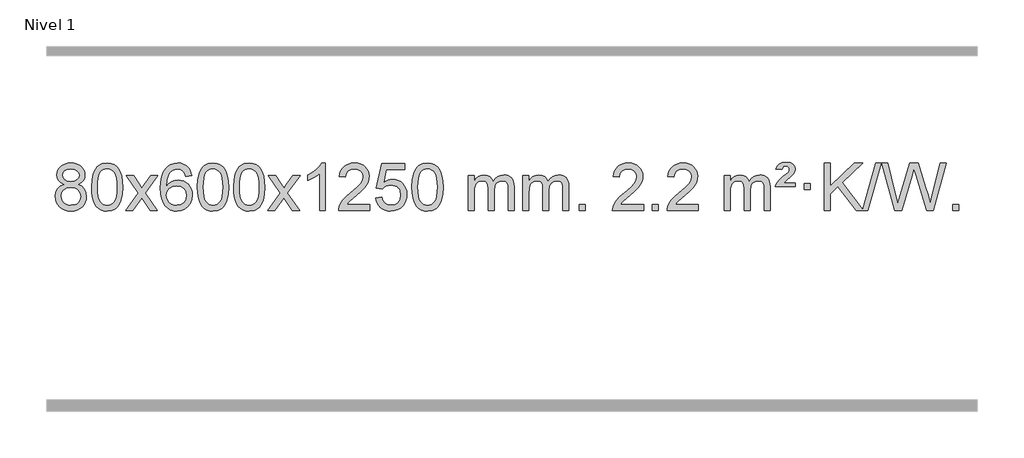
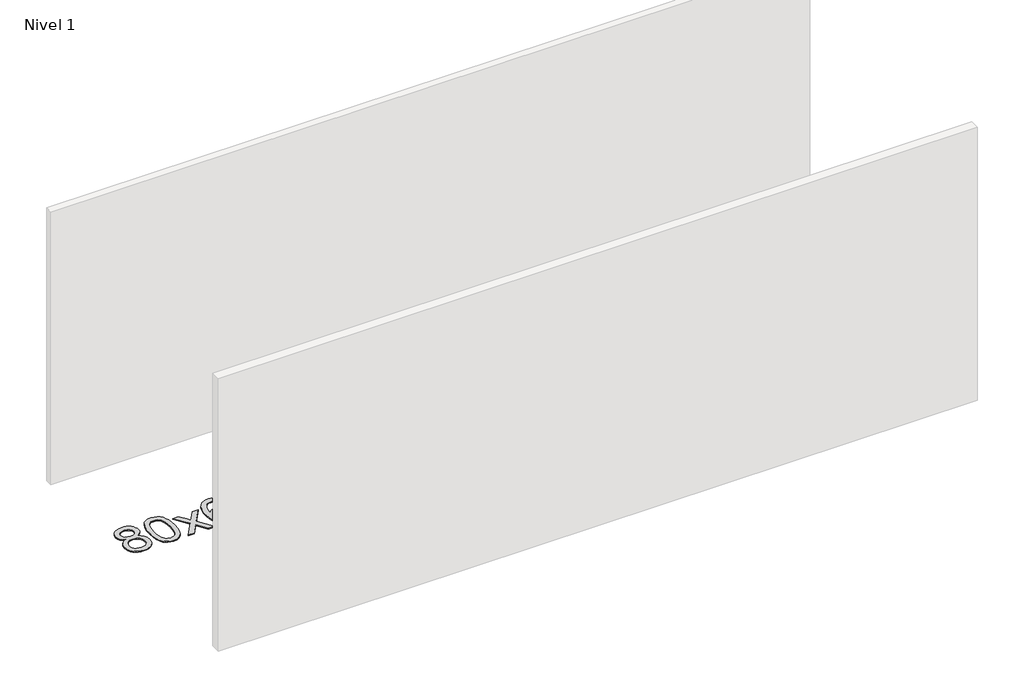
# One storey, part 3 of 3: 1 proxy.
"""IFC4 building model written with IfcOpenShell, lengths in millimetres."""

import ifcopenshell
import ifcopenshell.guid

model = None  # the IFC model being written
_history = None  # IfcOwnerHistory: only IFC2X3 demands one
_inside = {}  # id of a spatial element -> (the spatial element, [elements in it])
_under = {}  # id of a project, library or spatial element -> (it, [spatial elements below it])
_declared = {}  # id of a project -> (the project, [libraries it declares])
_typed = {}  # id of a type object -> (the type object, [elements of that type])
_made_of = {}  # id of a material, layer set ... -> (it, [elements and type objects made of it])


def new_model(schema):
    """Start an empty IFC model of exactly this schema.

    Asked for "IFC4X3", IfcOpenShell would pick the latest addendum, in which some entities
    have other attributes; the version numbers below select the first issue.
    IFC2X3 requires an IfcOwnerHistory on every rooted entity: one is made here for all.
    """
    global model, _history
    if schema == "IFC4X3":
        model = ifcopenshell.file(schema_version=(4, 3, 0, 0))
    else:
        model = ifcopenshell.file(schema=schema)
    _inside.clear()
    _under.clear()
    _declared.clear()
    _typed.clear()
    _made_of.clear()
    _history = None
    if model.schema == "IFC2X3":
        org = make("IfcOrganization", Name="unknown")
        user = make(
            "IfcPersonAndOrganization",
            ThePerson=make("IfcPerson", FamilyName="unknown"),
            TheOrganization=org,
        )
        app = make(
            "IfcApplication",
            ApplicationDeveloper=org,
            Version="unknown",
            ApplicationFullName="unknown",
            ApplicationIdentifier="unknown",
        )
        _history = make(
            "IfcOwnerHistory",
            OwningUser=user,
            OwningApplication=app,
            ChangeAction="ADDED",
            CreationDate=0,
        )
    return model


def make(cls, **values):
    """One entity of the class cls with the attributes given. An attribute that is None is left unset."""
    return model.create_entity(
        cls, **{name: value for name, value in values.items() if value is not None}
    )


def rooted(cls, **values):
    """An entity with a GlobalId (a new one), such as an element, a storey or a relation."""
    return make(cls, GlobalId=ifcopenshell.guid.new(), OwnerHistory=_history, **values)


def si_unit(unit_type, name, prefix=None):
    """IfcSIUnit, for example si_unit("LENGTHUNIT", "METRE", prefix="MILLI")."""
    return make("IfcSIUnit", UnitType=unit_type, Prefix=prefix, Name=name)


def assignment(units):
    """IfcUnitAssignment: the units of a project."""
    return None if units is None else make("IfcUnitAssignment", Units=units)


def point(xyz):
    """IfcCartesianPoint."""
    return None if xyz is None else make("IfcCartesianPoint", Coordinates=xyz)


def direction(xyz):
    """IfcDirection."""
    return None if xyz is None else make("IfcDirection", DirectionRatios=xyz)


def frame(location, z_axis=None, x_axis=None):
    """IfcAxis2Placement3D, a coordinate frame: its origin and axes. An axis left out is left unset."""
    return make(
        "IfcAxis2Placement3D",
        Location=point(location),
        Axis=direction(z_axis),
        RefDirection=direction(x_axis),
    )


def origin():
    """The frame at (0, 0, 0) with its axes left unset."""
    return frame((0.0, 0.0, 0.0))


def origin_with_axes():
    """The frame at (0, 0, 0) with the z axis (0, 0, 1) and the x axis (1, 0, 0) written out."""
    return frame((0.0, 0.0, 0.0), z_axis=(0.0, 0.0, 1.0), x_axis=(1.0, 0.0, 0.0))


def place(relative_to, where):
    """IfcLocalPlacement: puts the frame where relative to a parent placement (None: the world)."""
    return make(
        "IfcLocalPlacement", PlacementRelTo=relative_to, RelativePlacement=where
    )


def context(
    kind, dimensions, precision=None, world=None, true_north=None, identifier=None
):
    """IfcGeometricRepresentationContext, for example the 3D "Model" context."""
    return make(
        "IfcGeometricRepresentationContext",
        ContextIdentifier=identifier,
        ContextType=kind,
        CoordinateSpaceDimension=dimensions,
        Precision=precision,
        WorldCoordinateSystem=world,
        TrueNorth=true_north,
    )


def project(units=None, contexts=None):
    """IfcProject with its units and contexts."""
    return rooted(
        "IfcProject",
        Name="project",
        RepresentationContexts=contexts,
        UnitsInContext=assignment(units),
    )


def spatial(cls, under=None, at=None, **own):
    """A site, building, storey or space (cls), placed at a placement, below another one or the project."""
    s = rooted(cls, ObjectPlacement=at, **own)
    if under is not None:
        _under.setdefault(under.id(), (under, []))[1].append(s)
    return s


def polyline(points):
    """IfcPolyline through the points."""
    return make("IfcPolyline", Points=[point(p) for p in points])


def outline(outer, holes=None, kind="AREA"):
    """IfcArbitraryClosedProfileDef: a profile drawn as a closed curve; with holes, ...WithVoids."""
    if holes is None:
        return make("IfcArbitraryClosedProfileDef", ProfileType=kind, OuterCurve=outer)
    return make(
        "IfcArbitraryProfileDefWithVoids",
        ProfileType=kind,
        OuterCurve=outer,
        InnerCurves=holes,
    )


def extrude(swept, where, along, depth):
    """IfcExtrudedAreaSolid: the profile swept, set in the frame where, extruded along a direction by depth."""
    return make(
        "IfcExtrudedAreaSolid",
        SweptArea=swept,
        Position=where,
        ExtrudedDirection=direction(along),
        Depth=depth,
    )


def shape(context_of_items, identifier, shape_type, items):
    """IfcShapeRepresentation: the items that make up one representation, for example the "Body"."""
    return make(
        "IfcShapeRepresentation",
        ContextOfItems=context_of_items,
        RepresentationIdentifier=identifier,
        RepresentationType=shape_type,
        Items=items,
    )


def made_of(thing, what):
    """Note that an element or type object is made of a material, layer set ...; save() writes the relation."""
    if what is not None:
        _made_of.setdefault(what.id(), (what, []))[1].append(thing)
    return thing


def element(
    cls,
    number,
    at=None,
    inside=None,
    cuts=None,
    type_object=None,
    material=None,
    context=None,
    identifier="Body",
    shape_type=None,
    held_by="IfcProductDefinitionShape",
    body=None,
    shapes=None,
    **own,
):
    """One element of the class cls, such as IfcWall. Its Tag is "e" and its number.

    at: its placement. inside: the storey or other place that contains it. cuts: it is an
    opening in that element (IfcRelVoidsElement). A single representation is given by context,
    identifier, shape_type and body (its items); several are given by shapes. held_by: the class
    of the entity that holds the representations. save() writes the other relations.
    """
    e = rooted(cls, Tag="e%d" % number, ObjectPlacement=at, **own)
    if body is not None:
        shapes = [shape(context, identifier, shape_type, body)]
    if shapes is not None:
        e.Representation = make(held_by, Representations=shapes)
    if inside is not None:
        _inside.setdefault(inside.id(), (inside, []))[1].append(e)
    if cuts is not None:
        rooted(
            "IfcRelVoidsElement", RelatingBuildingElement=cuts, RelatedOpeningElement=e
        )
    if type_object is not None:
        _typed.setdefault(type_object.id(), (type_object, []))[1].append(e)
    return made_of(e, material)


def aggregate(whole, parts):
    """IfcRelAggregates: a whole, such as a stair, and the parts it consists of."""
    return rooted("IfcRelAggregates", RelatingObject=whole, RelatedObjects=parts)


def save(model, path):
    """Write the relations noted so far, then the file.

    IfcRelAggregates (storeys below a building ...), IfcRelContainedInSpatialStructure (elements
    in a storey), IfcRelDefinesByType, IfcRelAssociatesMaterial and IfcRelDeclares: one each for
    every whole, place, type object, material and project.
    """
    for whole, parts in _under.values():
        aggregate(whole, parts)
    for where, things in _inside.values():
        rooted(
            "IfcRelContainedInSpatialStructure",
            RelatedElements=things,
            RelatingStructure=where,
        )
    for kind, things in _typed.values():
        rooted("IfcRelDefinesByType", RelatedObjects=things, RelatingType=kind)
    for what, things in _made_of.values():
        rooted("IfcRelAssociatesMaterial", RelatedObjects=things, RelatingMaterial=what)
    for by, libraries in _declared.values():
        rooted("IfcRelDeclares", RelatingContext=by, RelatedDefinitions=libraries)
    model.write(path)


model = new_model("IFC4")

# Units and contexts
model_context = context("Model", 3, world=origin())
ifc_project = project(units=[si_unit("LENGTHUNIT", "METRE", prefix="MILLI")], contexts=[model_context])

# Site, building, storey
site = spatial("IfcSite", under=ifc_project)
building = spatial("IfcBuilding", under=site)
storey = spatial("IfcBuildingStorey", under=building, Name="Nivel 1", Elevation=0.0)

# Proxy
placement = place(None, origin())
element("IfcBuildingElementProxy", 1, Name="Texto de modelo 1", ObjectType="Texto de modelo 1", at=placement, inside=storey, context=model_context, shape_type="SweptSolid", body=[
    extrude(outline(polyline([(-6382.9857189, 2829.7383553), (-6409.8778927, 2842.9821071), (-6428.7502391, 2860.9347485), (-6439.8970635, 2883.2283974), (-6443.6126717, 2909.4951719), (-6441.5893207, 2929.9800676), (-6435.5192678, 2948.7604435), (-6425.4025129, 2965.8362994), (-6411.2390561, 2981.2076355), (-6393.709479, 2993.911827), (-6373.4943634, 3002.9862496), (-6350.5937092, 3008.4309031), (-6325.0075164, 3010.2457876), (-6299.2986964, 3008.3879835), (-6276.2263639, 3002.8145713), (-6255.7905191, 2993.5255509), (-6237.9911619, 2980.5209224), (-6223.5701876, 2964.8491494), (-6213.2694918, 2947.5586956), (-6207.0890743, 2928.6495611), (-6205.0289351, 2908.1217457), (-6208.6954923, 2882.7010999), (-6219.695164, 2860.7875957), (-6238.1505774, 2842.9453189), (-6264.1843599, 2829.7383553), (-6233.2700096, 2813.8090649), (-6210.7678942, 2790.3504564), (-6197.0458958, 2760.4907011), (-6192.4718963, 2725.3579705), (-6194.740502, 2700.3052067), (-6201.5463189, 2677.3371074), (-6212.8893471, 2656.4536728), (-6228.7695865, 2637.6549029), (-6248.3531714, 2622.11802), (-6270.8062358, 2611.0202464), (-6296.1287798, 2604.3615823), (-6324.3208034, 2602.1420276), (-6352.512827, 2604.3707794), (-6377.835371, 2611.0570346), (-6400.2884354, 2622.2007934), (-6419.8720203, 2637.8020557), (-6435.7522597, 2656.73265), (-6447.0952879, 2677.864405), (-6453.9011048, 2701.1973205), (-6456.1697105, 2726.7313967), (-6451.41177, 2763.2252906), (-6437.1379486, 2793.2444614), (-6414.0840102, 2815.7588395), (-6382.9857189, 2829.7383553)]), holes=[polyline([(-6393.3845166, 2908.0236439), (-6388.9331445, 2886.097877), (-6375.5790281, 2868.586694), (-6353.7145748, 2857.1087757), (-6323.7321922, 2853.282803), (-6294.4487854, 2857.0842503), (-6272.9154259, 2868.4885921), (-6259.6716741, 2885.4111639), (-6255.2570902, 2905.767301), (-6259.8188269, 2926.8959902), (-6273.5040371, 2944.370385), (-6295.3317022, 2956.1058206), (-6324.3208034, 2960.0176325), (-6353.4938456, 2956.1916598), (-6375.2847225, 2944.7137415), (-6388.8595681, 2927.8892716), (-6393.3845166, 2908.0236439)]), polyline([(-6405.9415554, 2728.4972302), (-6403.844628, 2709.2815274), (-6397.5538459, 2690.6789611), (-6385.9410376, 2674.4553651), (-6367.8780316, 2662.376573), (-6346.2465703, 2654.8717803), (-6323.9283959, 2652.3701827), (-6289.7398958, 2657.6308952), (-6275.8462192, 2664.2067859), (-6264.086258, 2673.4130328), (-6248.0466031, 2697.3130998), (-6242.7000514, 2726.9276004), (-6248.2182813, 2757.0448731), (-6264.7729711, 2781.4722375), (-6276.8517633, 2790.9145421), (-6291.0152201, 2797.6590453), (-6325.5961276, 2803.0546479), (-6359.3063811, 2797.7326217), (-6373.043708, 2791.080089), (-6384.7025015, 2781.7665431), (-6400.6317919, 2757.8051625), (-6405.9415554, 2728.4972302)])]), origin_with_axes(), (0.0, 0.0, 1.0), 10.0),
    extrude(outline(polyline([(-6148.5222606, 2806.0958057), (-6144.8311779, 2870.4138412), (-6133.7579299, 2921.7088541), (-6115.4128811, 2960.7656593), (-6103.5548181, 2975.9990395), (-6089.9063961, 2988.3690716), (-6074.4216298, 2997.9401349), (-6057.0545339, 3004.7766086), (-6016.6733536, 3010.2457876), (-5985.722215, 3007.008426), (-5958.0084381, 2997.2963414), (-5934.8318724, 2981.4896783), (-5917.4923677, 2959.9685816), (-5904.3957686, 2932.9169922), (-5893.94792, 2900.5188512), (-5887.1053149, 2859.3773814), (-5884.8244465, 2806.0958057), (-5888.478741, 2742.1456523), (-5899.4416244, 2690.9732667), (-5917.6763087, 2651.8796734), (-5929.5067805, 2636.6003078), (-5943.1460055, 2624.1658964), (-5958.6491659, 2614.5304538), (-5976.071444, 2607.6479948), (-6016.6733536, 2602.1420276), (-6044.3380796, 2604.5332606), (-6068.8635459, 2611.7069595), (-6090.2497526, 2623.6631243), (-6108.4966996, 2640.4017551), (-6126.0078825, 2670.6600492), (-6138.5158704, 2708.3618224), (-6146.0206631, 2753.5070745), (-6148.5222606, 2806.0958057)]), holes=[polyline([(-6098.2941056, 2806.1939076), (-6096.8225776, 2762.5293805), (-6092.4079936, 2727.1851178), (-6085.0503537, 2700.1611196), (-6074.7496579, 2681.4573858), (-6062.290721, 2668.7317344), (-6048.4583579, 2659.6419835), (-6033.2525688, 2654.1881329), (-6016.6733536, 2652.3701827), (-6000.0941383, 2654.1942643), (-5984.8883492, 2659.6665089), (-5971.0559862, 2668.7869167), (-5958.5970493, 2681.5554876), (-5948.2963534, 2700.2898783), (-5940.9387135, 2727.3077451), (-5936.5241295, 2762.6090882), (-5935.0526016, 2806.1939076), (-5936.4750786, 2848.7026722), (-5940.7425098, 2883.4246011), (-5947.854895, 2910.3596945), (-5957.8122343, 2929.5079524), (-5970.0627048, 2942.8559375), (-5984.0544833, 2952.3902125), (-5999.78757, 2958.1107775), (-6017.2619648, 2960.0176325), (-6033.7553409, 2958.3376381), (-6048.7036126, 2953.2976548), (-6062.10678, 2944.8976825), (-6073.9648429, 2933.1377214), (-6084.6088953, 2912.291075), (-6092.2117899, 2884.1848906), (-6096.7735266, 2848.8191681), (-6098.2941056, 2806.1939076)])]), origin_with_axes(), (0.0, 0.0, 1.0), 10.0),
    extrude(outline(polyline([(-5859.7103689, 2608.420547), (-5752.3869282, 2756.7505675), (-5853.4318496, 2903.5109581), (-5793.0011005, 2903.5109581), (-5744.2444734, 2832.877615), (-5721.4848406, 2799.5229808), (-5701.7663657, 2826.7952993), (-5646.2407099, 2903.5109581), (-5585.8099608, 2903.5109581), (-5691.9561791, 2756.7505675), (-5589.7340354, 2608.420547), (-5650.1647845, 2608.420547), (-5711.6746541, 2697.5951426), (-5722.9563686, 2713.8800523), (-5799.2796199, 2608.420547), (-5859.7103689, 2608.420547)])), origin_with_axes(), (0.0, 0.0, 1.0), 10.0),
    extrude(outline(polyline([(-5300.9221437, 2903.5109581), (-5351.1502988, 2897.2324387), (-5359.2437027, 2922.125787), (-5370.1820607, 2939.1219352), (-5392.9662189, 2954.7937082), (-5420.5083176, 2960.0176325), (-5443.8565616, 2956.9764747), (-5465.8313794, 2947.8530012), (-5484.7037258, 2928.6372983), (-5500.1179814, 2902.1865829), (-5510.5290419, 2864.772984), (-5514.3918028, 2812.6686307), (-5494.2441322, 2836.1762902), (-5470.0988106, 2852.7432427), (-5443.3047386, 2862.565692), (-5415.2108169, 2865.8398418), (-5391.077758, 2863.601893), (-5368.8086346, 2856.8880466), (-5348.4034466, 2845.6983025), (-5329.862194, 2830.0326609), (-5314.4540698, 2810.8230894), (-5303.4482668, 2789.0015557), (-5296.844785, 2764.5680599), (-5294.6436244, 2737.5226018), (-5298.7884282, 2701.5560055), (-5311.2228396, 2668.213634), (-5330.9167891, 2639.9357713), (-5356.840207, 2619.1627013), (-5387.815871, 2606.397196), (-5422.6665587, 2602.1420276), (-5452.6090874, 2604.9624563), (-5479.6514797, 2613.4237421), (-5503.7937357, 2627.5258853), (-5525.0358552, 2647.2688857), (-5542.3539001, 2673.4866092), (-5554.7239322, 2707.0129217), (-5562.1459515, 2747.8478232), (-5564.6199579, 2795.9913136), (-5561.8731057, 2849.9657337), (-5553.632549, 2896.0306908), (-5539.8982878, 2934.1861851), (-5520.6703222, 2964.4322165), (-5499.8298072, 2984.4756538), (-5475.6660915, 2998.7923948), (-5448.179175, 3007.3824394), (-5417.3690579, 3010.2457876), (-5394.2354118, 3008.4738227), (-5373.2967949, 3003.1579278), (-5354.5532073, 2994.2981031), (-5338.0046489, 2981.8943485), (-5324.0987094, 2966.3635969), (-5313.2829788, 2948.1227814), (-5305.5574569, 2927.1719017), (-5300.9221437, 2903.5109581)]), holes=[polyline([(-5514.3918028, 2738.3074168), (-5511.485535, 2716.0505561), (-5502.7667318, 2694.7992395), (-5489.2286743, 2676.527767), (-5471.8646442, 2663.2104388), (-5450.9076332, 2655.0802467), (-5426.5906333, 2652.3701827), (-5393.4444655, 2657.9865145), (-5379.5293291, 2665.0069292), (-5367.3861575, 2674.8355099), (-5357.5361171, 2687.0737176), (-5350.500374, 2701.3230135), (-5344.8717794, 2735.8548701), (-5350.4267976, 2769.0010379), (-5357.3705702, 2782.6218688), (-5367.0918519, 2794.274531), (-5379.2718117, 2803.6095366), (-5393.5916183, 2810.2773978), (-5428.6507725, 2815.6116867), (-5461.7478893, 2810.2773978), (-5489.4248781, 2794.274531), (-5500.3479076, 2782.7751529), (-5508.1500716, 2769.6141746), (-5512.83137, 2754.7915958), (-5514.3918028, 2738.3074168)])]), origin_with_axes(), (0.0, 0.0, 1.0), 10.0),
    extrude(outline(polyline([(-5250.6939887, 2806.0958057), (-5247.002906, 2870.4138412), (-5235.9296579, 2921.7088541), (-5217.5846091, 2960.7656593), (-5205.7265461, 2975.9990395), (-5192.0781241, 2988.3690716), (-5176.5933578, 2997.9401349), (-5159.2262619, 3004.7766086), (-5118.8450816, 3010.2457876), (-5087.8939431, 3007.008426), (-5060.1801661, 2997.2963414), (-5037.0036004, 2981.4896783), (-5019.6640957, 2959.9685816), (-5006.5674967, 2932.9169922), (-4996.119648, 2900.5188512), (-4989.2770429, 2859.3773814), (-4986.9961745, 2806.0958057), (-4990.650469, 2742.1456523), (-5001.6133525, 2690.9732667), (-5019.8480367, 2651.8796734), (-5031.6785085, 2636.6003078), (-5045.3177335, 2624.1658964), (-5060.8208939, 2614.5304538), (-5078.2431721, 2607.6479948), (-5118.8450816, 2602.1420276), (-5146.5098076, 2604.5332606), (-5171.035274, 2611.7069595), (-5192.4214806, 2623.6631243), (-5210.6684276, 2640.4017551), (-5228.1796106, 2670.6600492), (-5240.6875984, 2708.3618224), (-5248.1923911, 2753.5070745), (-5250.6939887, 2806.0958057)]), holes=[polyline([(-5200.4658336, 2806.1939076), (-5198.9943056, 2762.5293805), (-5194.5797217, 2727.1851178), (-5187.2220818, 2700.1611196), (-5176.9213859, 2681.4573858), (-5164.462449, 2668.7317344), (-5150.630086, 2659.6419835), (-5135.4242968, 2654.1881329), (-5118.8450816, 2652.3701827), (-5102.2658663, 2654.1942643), (-5087.0600772, 2659.6665089), (-5073.2277142, 2668.7869167), (-5060.7687773, 2681.5554876), (-5050.4680814, 2700.2898783), (-5043.1104415, 2727.3077451), (-5038.6958576, 2762.6090882), (-5037.2243296, 2806.1939076), (-5038.6468066, 2848.7026722), (-5042.9142378, 2883.4246011), (-5050.026623, 2910.3596945), (-5059.9839624, 2929.5079524), (-5072.2344328, 2942.8559375), (-5086.2262114, 2952.3902125), (-5101.959298, 2958.1107775), (-5119.4336928, 2960.0176325), (-5135.9270689, 2958.3376381), (-5150.8753406, 2953.2976548), (-5164.278508, 2944.8976825), (-5176.136571, 2933.1377214), (-5186.7806234, 2912.291075), (-5194.3835179, 2884.1848906), (-5198.9452547, 2848.8191681), (-5200.4658336, 2806.1939076)])]), origin_with_axes(), (0.0, 0.0, 1.0), 10.0),
    extrude(outline(polyline([(-4943.0465388, 2806.0958057), (-4939.3554561, 2870.4138412), (-4928.2822081, 2921.7088541), (-4909.9371593, 2960.7656593), (-4898.0790963, 2975.9990395), (-4884.4306743, 2988.3690716), (-4868.945908, 2997.9401349), (-4851.5788121, 3004.7766086), (-4811.1976318, 3010.2457876), (-4780.2464932, 3007.008426), (-4752.5327163, 2997.2963414), (-4729.3561506, 2981.4896783), (-4712.0166459, 2959.9685816), (-4698.9200468, 2932.9169922), (-4688.4721982, 2900.5188512), (-4681.6295931, 2859.3773814), (-4679.3487247, 2806.0958057), (-4683.0030192, 2742.1456523), (-4693.9659026, 2690.9732667), (-4712.2005869, 2651.8796734), (-4724.0310587, 2636.6003078), (-4737.6702837, 2624.1658964), (-4753.1734441, 2614.5304538), (-4770.5957222, 2607.6479948), (-4811.1976318, 2602.1420276), (-4838.8623578, 2604.5332606), (-4863.3878241, 2611.7069595), (-4884.7740308, 2623.6631243), (-4903.0209778, 2640.4017551), (-4920.5321607, 2670.6600492), (-4933.0401486, 2708.3618224), (-4940.5449413, 2753.5070745), (-4943.0465388, 2806.0958057)]), holes=[polyline([(-4892.8183838, 2806.1939076), (-4891.3468558, 2762.5293805), (-4886.9322718, 2727.1851178), (-4879.5746319, 2700.1611196), (-4869.2739361, 2681.4573858), (-4856.8149992, 2668.7317344), (-4842.9826361, 2659.6419835), (-4827.776847, 2654.1881329), (-4811.1976318, 2652.3701827), (-4794.6184165, 2654.1942643), (-4779.4126274, 2659.6665089), (-4765.5802644, 2668.7869167), (-4753.1213275, 2681.5554876), (-4742.8206316, 2700.2898783), (-4735.4629917, 2727.3077451), (-4731.0484077, 2762.6090882), (-4729.5768798, 2806.1939076), (-4730.9993568, 2848.7026722), (-4735.266788, 2883.4246011), (-4742.3791732, 2910.3596945), (-4752.3365125, 2929.5079524), (-4764.586983, 2942.8559375), (-4778.5787615, 2952.3902125), (-4794.3118482, 2958.1107775), (-4811.786243, 2960.0176325), (-4828.2796191, 2958.3376381), (-4843.2278908, 2953.2976548), (-4856.6310582, 2944.8976825), (-4868.4891211, 2933.1377214), (-4879.1331735, 2912.291075), (-4886.7360681, 2884.1848906), (-4891.2978048, 2848.8191681), (-4892.8183838, 2806.1939076)])]), origin_with_axes(), (0.0, 0.0, 1.0), 10.0),
    extrude(outline(polyline([(-4654.2346472, 2608.420547), (-4546.9112064, 2756.7505675), (-4647.9561278, 2903.5109581), (-4587.5253787, 2903.5109581), (-4538.7687516, 2832.877615), (-4516.0091188, 2799.5229808), (-4496.2906439, 2826.7952993), (-4440.7649881, 2903.5109581), (-4380.334239, 2903.5109581), (-4486.4804574, 2756.7505675), (-4384.2583136, 2608.420547), (-4444.6890627, 2608.420547), (-4506.1989323, 2697.5951426), (-4517.4806468, 2713.8800523), (-4593.8038981, 2608.420547), (-4654.2346472, 2608.420547)])), origin_with_axes(), (0.0, 0.0, 1.0), 10.0),
    extrude(outline(polyline([(-4164.5101352, 2608.420547), (-4214.7382902, 2608.420547), (-4214.7382902, 2921.5617013), (-4235.707564, 2904.6023413), (-4262.317695, 2887.6675068), (-4315.1946004, 2862.3081746), (-4315.1946004, 2909.7894775), (-4275.7453878, 2931.2492605), (-4241.5691504, 2956.780271), (-4214.6279257, 2983.9299622), (-4196.8837508, 3010.2457876), (-4164.5101352, 3010.2457876), (-4164.5101352, 2608.420547)])), origin_with_axes(), (0.0, 0.0, 1.0), 10.0),
    extrude(outline(polyline([(-3787.7989721, 2658.6487021), (-3787.7989721, 2608.420547), (-4051.4967863, 2608.420547), (-4050.3931403, 2626.1034082), (-4046.1011837, 2643.0505055), (-4033.7158232, 2670.1143576), (-4015.5915035, 2696.3688693), (-3989.37378, 2723.8496544), (-3952.7082078, 2754.5923264), (-3898.5069272, 2802.7358169), (-3865.9861588, 2838.2732176), (-3849.7257746, 2867.115166), (-3844.3056466, 2895.1722995), (-3849.4192063, 2920.3231653), (-3864.7598855, 2941.2311253), (-3888.3411214, 2955.3210057), (-3918.1763512, 2960.0176325), (-3949.5076345, 2955.4313703), (-3973.8491598, 2941.6725837), (-3989.557721, 2919.8203932), (-3994.9901118, 2890.9539193), (-4045.2182669, 2897.2324387), (-4040.8987191, 2923.161988), (-4033.0413728, 2945.8173875), (-4021.646228, 2965.1986373), (-4006.7132847, 2981.3057373), (-3988.5858994, 2993.9670093), (-3967.6074286, 3003.010775), (-3943.7778724, 3008.4370345), (-3917.0972307, 3010.2457876), (-3890.1774657, 3008.2346994), (-3866.2191508, 3002.2014346), (-3845.2222859, 2992.1459934), (-3827.1868711, 2978.0683758), (-3812.7015175, 2961.0109139), (-3802.3548364, 2942.0159402), (-3796.1468277, 2921.0834547), (-3794.0774915, 2898.2134573), (-3796.3093089, 2874.1907631), (-3803.0047612, 2850.5850017), (-3814.8873497, 2826.5745701), (-3832.6805755, 2801.3378653), (-3861.0442774, 2771.2083299), (-3904.6382938, 2732.5194067), (-3962.4202925, 2684.204238), (-3985.0818234, 2658.6487021), (-3787.7989721, 2658.6487021)])), origin_with_axes(), (0.0, 0.0, 1.0), 10.0),
    extrude(outline(polyline([(-3737.570817, 2715.1553765), (-3687.342662, 2721.4338959), (-3678.1210866, 2691.2798351), (-3662.0323807, 2669.6851619), (-3639.1501206, 2656.6989275), (-3609.5478827, 2652.3701827), (-3590.418019, 2653.8754332), (-3573.5444981, 2658.3911847), (-3558.9273202, 2665.9174372), (-3546.5664851, 2676.4541906), (-3536.7379045, 2689.480279), (-3529.7174898, 2704.4745359), (-3524.101158, 2740.3675559), (-3529.3618705, 2774.1636486), (-3535.9377612, 2788.0818507), (-3545.1440081, 2800.0134901), (-3557.0112681, 2809.5845533), (-3571.5701981, 2816.4210271), (-3608.7630678, 2821.8902061), (-3633.1291186, 2819.7074396), (-3652.8598563, 2813.1591401), (-3668.6174684, 2803.1282243), (-3681.0641426, 2790.4976092), (-3731.2922977, 2796.7761285), (-3687.342662, 3003.9672682), (-3492.708561, 3003.9672682), (-3492.708561, 2953.7391131), (-3646.7284897, 2953.7391131), (-3668.2127982, 2843.080209), (-3650.4870174, 2855.7844006), (-3632.332041, 2864.8588231), (-3613.7478688, 2870.3034766), (-3594.734501, 2872.1183612), (-3570.273414, 2869.8681496), (-3547.8050212, 2863.117515), (-3527.3293225, 2851.8664573), (-3508.8463179, 2836.1149766), (-3493.5454926, 2816.8256973), (-3482.6163316, 2794.961244), (-3476.0588351, 2770.5216168), (-3473.8730029, 2743.5068156), (-3475.8411716, 2717.4852958), (-3481.7456776, 2693.2786606), (-3491.586521, 2670.8869098), (-3505.3637017, 2650.3100435), (-3526.2348735, 2629.2365366), (-3550.5886616, 2614.1840316), (-3578.4250659, 2605.1525286), (-3609.7440864, 2602.1420276), (-3635.6644387, 2604.0764738), (-3659.077062, 2609.8798123), (-3679.9819564, 2619.552043), (-3698.3791218, 2633.0931662), (-3713.6860785, 2649.8287312), (-3725.3203466, 2669.084288), (-3733.2819261, 2690.8598364), (-3737.570817, 2715.1553765)])), origin_with_axes(), (0.0, 0.0, 1.0), 10.0),
    extrude(outline(polyline([(-3429.9233672, 2806.0958057), (-3426.2322845, 2870.4138412), (-3415.1590365, 2921.7088541), (-3396.8139876, 2960.7656593), (-3384.9559247, 2975.9990395), (-3371.3075026, 2988.3690716), (-3355.8227363, 2997.9401349), (-3338.4556405, 3004.7766086), (-3298.0744601, 3010.2457876), (-3267.1233216, 3007.008426), (-3239.4095446, 2997.2963414), (-3216.2329789, 2981.4896783), (-3198.8934742, 2959.9685816), (-3185.7968752, 2932.9169922), (-3175.3490265, 2900.5188512), (-3168.5064214, 2859.3773814), (-3166.2255531, 2806.0958057), (-3169.8798475, 2742.1456523), (-3180.842731, 2690.9732667), (-3199.0774152, 2651.8796734), (-3210.9078871, 2636.6003078), (-3224.547112, 2624.1658964), (-3240.0502724, 2614.5304538), (-3257.4725506, 2607.6479948), (-3298.0744601, 2602.1420276), (-3325.7391862, 2604.5332606), (-3350.2646525, 2611.7069595), (-3371.6508592, 2623.6631243), (-3389.8978061, 2640.4017551), (-3407.4089891, 2670.6600492), (-3419.9169769, 2708.3618224), (-3427.4217696, 2753.5070745), (-3429.9233672, 2806.0958057)]), holes=[polyline([(-3379.6952121, 2806.1939076), (-3378.2236842, 2762.5293805), (-3373.8091002, 2727.1851178), (-3366.4514603, 2700.1611196), (-3356.1507644, 2681.4573858), (-3343.6918275, 2668.7317344), (-3329.8594645, 2659.6419835), (-3314.6536754, 2654.1881329), (-3298.0744601, 2652.3701827), (-3281.4952449, 2654.1942643), (-3266.2894558, 2659.6665089), (-3252.4570927, 2668.7869167), (-3239.9981558, 2681.5554876), (-3229.69746, 2700.2898783), (-3222.3398201, 2727.3077451), (-3217.9252361, 2762.6090882), (-3216.4537081, 2806.1939076), (-3217.8761852, 2848.7026722), (-3222.1436163, 2883.4246011), (-3229.2560016, 2910.3596945), (-3239.2133409, 2929.5079524), (-3251.4638113, 2942.8559375), (-3265.4555899, 2952.3902125), (-3281.1886766, 2958.1107775), (-3298.6630713, 2960.0176325), (-3315.1564474, 2958.3376381), (-3330.1047192, 2953.2976548), (-3343.5078865, 2944.8976825), (-3355.3659495, 2933.1377214), (-3366.0100019, 2912.291075), (-3373.6128965, 2884.1848906), (-3378.1746332, 2848.8191681), (-3379.6952121, 2806.1939076)])]), origin_with_axes(), (0.0, 0.0, 1.0), 10.0),
    extrude(outline(polyline([(-2952.755894, 2608.420547), (-2952.755894, 2903.5109581), (-2902.5277389, 2903.5109581), (-2902.5277389, 2854.9505347), (-2887.4200517, 2877.2564463), (-2867.9958823, 2894.7308411), (-2844.9174185, 2906.0248184), (-2818.8468478, 2909.7894775), (-2790.9123416, 2905.951242), (-2768.5205908, 2894.4365355), (-2751.7942228, 2876.0056476), (-2740.8558648, 2851.4188676), (-2722.5476041, 2876.9560094), (-2701.6641696, 2895.196825), (-2678.205561, 2906.1413143), (-2652.1717785, 2909.7894775), (-2632.0639617, 2908.2719642), (-2614.414823, 2903.7194245), (-2599.2243623, 2896.1318584), (-2586.4925796, 2885.5092658), (-2576.4279413, 2871.7290194), (-2569.238914, 2854.6684918), (-2564.9254976, 2834.3276832), (-2563.4876922, 2810.7065934), (-2563.4876922, 2608.420547), (-2613.7158472, 2608.420547), (-2613.7158472, 2789.124183), (-2614.8808069, 2814.1769469), (-2618.3756858, 2831.0627305), (-2624.9239854, 2842.6264879), (-2635.2492067, 2851.7131732), (-2648.5297467, 2857.5992851), (-2663.9440023, 2859.5613224), (-2691.1550072, 2854.5336018), (-2713.3382915, 2839.45044), (-2721.9436645, 2827.8805512), (-2728.0903595, 2813.2817674), (-2733.0077155, 2774.9975144), (-2733.0077155, 2608.420547), (-2783.2358706, 2608.420547), (-2783.2358706, 2794.7159894), (-2786.1421384, 2823.1164794), (-2794.8609417, 2843.3745146), (-2810.2016209, 2855.5146204), (-2832.9735164, 2859.5613224), (-2852.3241093, 2856.8635211), (-2870.1541233, 2848.7701172), (-2884.8694032, 2835.4773144), (-2894.8757934, 2817.1813165), (-2900.6147525, 2791.7974589), (-2902.5277389, 2757.2410768), (-2902.5277389, 2608.420547), (-2952.755894, 2608.420547)])), origin_with_axes(), (0.0, 0.0, 1.0), 10.0),
    extrude(outline(polyline([(-2488.1454596, 2608.420547), (-2488.1454596, 2903.5109581), (-2437.9173045, 2903.5109581), (-2437.9173045, 2854.9505347), (-2422.8096172, 2877.2564463), (-2403.3854479, 2894.7308411), (-2380.306984, 2906.0248184), (-2354.2364133, 2909.7894775), (-2326.3019071, 2905.951242), (-2303.9101564, 2894.4365355), (-2287.1837883, 2876.0056476), (-2276.2454303, 2851.4188676), (-2257.9371697, 2876.9560094), (-2237.0537351, 2895.196825), (-2213.5951266, 2906.1413143), (-2187.561344, 2909.7894775), (-2167.4535273, 2908.2719642), (-2149.8043886, 2903.7194245), (-2134.6139279, 2896.1318584), (-2121.8821452, 2885.5092658), (-2111.8175069, 2871.7290194), (-2104.6284796, 2854.6684918), (-2100.3150632, 2834.3276832), (-2098.8772577, 2810.7065934), (-2098.8772577, 2608.420547), (-2149.1054128, 2608.420547), (-2149.1054128, 2789.124183), (-2150.2703724, 2814.1769469), (-2153.7652514, 2831.0627305), (-2160.3135509, 2842.6264879), (-2170.6387722, 2851.7131732), (-2183.9193123, 2857.5992851), (-2199.3335679, 2859.5613224), (-2226.5445728, 2854.5336018), (-2248.7278571, 2839.45044), (-2257.3332301, 2827.8805512), (-2263.4799251, 2813.2817674), (-2268.3972811, 2774.9975144), (-2268.3972811, 2608.420547), (-2318.6254362, 2608.420547), (-2318.6254362, 2794.7159894), (-2321.5317039, 2823.1164794), (-2330.2505072, 2843.3745146), (-2345.5911864, 2855.5146204), (-2368.3630819, 2859.5613224), (-2387.7136749, 2856.8635211), (-2405.5436889, 2848.7701172), (-2420.2589687, 2835.4773144), (-2430.265359, 2817.1813165), (-2436.0043181, 2791.7974589), (-2437.9173045, 2757.2410768), (-2437.9173045, 2608.420547), (-2488.1454596, 2608.420547)])), origin_with_axes(), (0.0, 0.0, 1.0), 10.0),
    extrude(outline(polyline([(-2010.9779863, 2608.420547), (-2010.9779863, 2658.6487021), (-1960.7498313, 2658.6487021), (-1960.7498313, 2608.420547), (-2010.9779863, 2608.420547)])), origin_with_axes(), (0.0, 0.0, 1.0), 10.0),
    extrude(outline(polyline([(-1464.7467999, 2658.6487021), (-1464.7467999, 2608.420547), (-1728.444614, 2608.420547), (-1727.3409681, 2626.1034082), (-1723.0490115, 2643.0505055), (-1710.6636509, 2670.1143576), (-1692.5393313, 2696.3688693), (-1666.3216078, 2723.8496544), (-1629.6560356, 2754.5923264), (-1575.454755, 2802.7358169), (-1542.9339866, 2838.2732176), (-1526.6736024, 2867.115166), (-1521.2534744, 2895.1722995), (-1526.3670341, 2920.3231653), (-1541.7077133, 2941.2311253), (-1565.2889492, 2955.3210057), (-1595.124179, 2960.0176325), (-1626.4554623, 2955.4313703), (-1650.7969876, 2941.6725837), (-1666.5055488, 2919.8203932), (-1671.9379396, 2890.9539193), (-1722.1660947, 2897.2324387), (-1717.8465469, 2923.161988), (-1709.9892006, 2945.8173875), (-1698.5940558, 2965.1986373), (-1683.6611125, 2981.3057373), (-1665.5337272, 2993.9670093), (-1644.5552564, 3003.010775), (-1620.7257002, 3008.4370345), (-1594.0450585, 3010.2457876), (-1567.1252935, 3008.2346994), (-1543.1669785, 3002.2014346), (-1522.1701137, 2992.1459934), (-1504.1346989, 2978.0683758), (-1489.6493453, 2961.0109139), (-1479.3026642, 2942.0159402), (-1473.0946555, 2921.0834547), (-1471.0253193, 2898.2134573), (-1473.2571367, 2874.1907631), (-1479.952589, 2850.5850017), (-1491.8351775, 2826.5745701), (-1509.6284033, 2801.3378653), (-1537.9921051, 2771.2083299), (-1581.5861216, 2732.5194067), (-1639.3681203, 2684.204238), (-1662.0296512, 2658.6487021), (-1464.7467999, 2658.6487021)])), origin_with_axes(), (0.0, 0.0, 1.0), 10.0),
    extrude(outline(polyline([(-1389.4045673, 2608.420547), (-1389.4045673, 2658.6487021), (-1339.1764122, 2658.6487021), (-1339.1764122, 2608.420547), (-1389.4045673, 2608.420547)])), origin_with_axes(), (0.0, 0.0, 1.0), 10.0),
    extrude(outline(polyline([(-1000.1363655, 2658.6487021), (-1000.1363655, 2608.420547), (-1263.8341796, 2608.420547), (-1262.7305336, 2626.1034082), (-1258.438577, 2643.0505055), (-1246.0532165, 2670.1143576), (-1227.9288969, 2696.3688693), (-1201.7111734, 2723.8496544), (-1165.0456012, 2754.5923264), (-1110.8443205, 2802.7358169), (-1078.3235522, 2838.2732176), (-1062.063168, 2867.115166), (-1056.6430399, 2895.1722995), (-1061.7565997, 2920.3231653), (-1077.0972789, 2941.2311253), (-1100.6785147, 2955.3210057), (-1130.5137446, 2960.0176325), (-1161.8450278, 2955.4313703), (-1186.1865532, 2941.6725837), (-1201.8951144, 2919.8203932), (-1207.3275051, 2890.9539193), (-1257.5556602, 2897.2324387), (-1253.2361125, 2923.161988), (-1245.3787662, 2945.8173875), (-1233.9836214, 2965.1986373), (-1219.0506781, 2981.3057373), (-1200.9232927, 2993.9670093), (-1179.944822, 3003.010775), (-1156.1152657, 3008.4370345), (-1129.434624, 3010.2457876), (-1102.514859, 3008.2346994), (-1078.5565441, 3002.2014346), (-1057.5596792, 2992.1459934), (-1039.5242644, 2978.0683758), (-1025.0389109, 2961.0109139), (-1014.6922297, 2942.0159402), (-1008.4842211, 2921.0834547), (-1006.4148848, 2898.2134573), (-1008.6467023, 2874.1907631), (-1015.3421546, 2850.5850017), (-1027.224743, 2826.5745701), (-1045.0179689, 2801.3378653), (-1073.3816707, 2771.2083299), (-1116.9756871, 2732.5194067), (-1174.7576858, 2684.204238), (-1197.4192167, 2658.6487021), (-1000.1363655, 2658.6487021)])), origin_with_axes(), (0.0, 0.0, 1.0), 10.0),
    extrude(outline(polyline([(-780.388187, 2608.420547), (-780.388187, 2903.5109581), (-730.1600319, 2903.5109581), (-730.1600319, 2854.9505347), (-715.0523447, 2877.2564463), (-695.6281753, 2894.7308411), (-672.5497115, 2906.0248184), (-646.4791408, 2909.7894775), (-618.5446346, 2905.951242), (-596.1528838, 2894.4365355), (-579.4265158, 2876.0056476), (-568.4881578, 2851.4188676), (-550.1798972, 2876.9560094), (-529.2964626, 2895.196825), (-505.837854, 2906.1413143), (-479.8040715, 2909.7894775), (-459.6962548, 2908.2719642), (-442.047116, 2903.7194245), (-426.8566553, 2896.1318584), (-414.1248726, 2885.5092658), (-404.0602344, 2871.7290194), (-396.871207, 2854.6684918), (-392.5577906, 2834.3276832), (-391.1199852, 2810.7065934), (-391.1199852, 2608.420547), (-441.3481403, 2608.420547), (-441.3481403, 2789.124183), (-442.5130999, 2814.1769469), (-446.0079789, 2831.0627305), (-452.5562784, 2842.6264879), (-462.8814997, 2851.7131732), (-476.1620397, 2857.5992851), (-491.5762953, 2859.5613224), (-518.7873002, 2854.5336018), (-540.9705845, 2839.45044), (-549.5759576, 2827.8805512), (-555.7226526, 2813.2817674), (-560.6400086, 2774.9975144), (-560.6400086, 2608.420547), (-610.8681636, 2608.420547), (-610.8681636, 2794.7159894), (-613.7744314, 2823.1164794), (-622.4932347, 2843.3745146), (-637.8339139, 2855.5146204), (-660.6058094, 2859.5613224), (-679.9564023, 2856.8635211), (-697.7864164, 2848.7701172), (-712.5016962, 2835.4773144), (-722.5080864, 2817.1813165), (-728.2470456, 2791.7974589), (-730.1600319, 2757.2410768), (-730.1600319, 2608.420547), (-780.388187, 2608.420547)])), origin_with_axes(), (0.0, 0.0, 1.0), 10.0),
    extrude(outline(polyline([(-347.1703495, 2809.3331673), (-343.3443767, 2825.1520931), (-335.0057182, 2841.0200698), (-313.4968842, 2866.1586728), (-281.5402016, 2893.8969753), (-237.3943621, 2931.273786), (-230.2574514, 2942.8007552), (-227.8784812, 2954.6220299), (-229.7669421, 2966.7130848), (-235.4323248, 2976.4987459), (-244.801053, 2982.973469), (-257.7995501, 2985.1317101), (-270.2339616, 2983.5130293), (-279.0876549, 2978.656987), (-285.5133271, 2969.1901569), (-290.663675, 2953.7391131), (-340.8918301, 2960.0176325), (-330.051574, 2985.2298119), (-313.4233078, 3002.7900458), (-289.6581309, 3013.0907417), (-257.4071427, 3016.524307), (-221.6244873, 3012.3917659), (-196.8782917, 2999.9941427), (-182.4573175, 2981.6613566), (-177.6503261, 2959.7233269), (-181.746079, 2936.8165414), (-194.0333376, 2915.1850801), (-214.561153, 2895.3685032), (-251.0305214, 2867.3113697), (-276.6351083, 2840.7257642), (-177.6503261, 2840.7257642), (-177.6503261, 2809.3331673), (-347.1703495, 2809.3331673)])), origin_with_axes(), (0.0, 0.0, 1.0), 10.0),
    extrude(outline(polyline([(-102.3080935, 2784.2190898), (-102.3080935, 2834.4472448), (-52.0799384, 2834.4472448), (-52.0799384, 2784.2190898), (-102.3080935, 2784.2190898)])), origin_with_axes(), (0.0, 0.0, 1.0), 10.0),
    extrude(outline(polyline([(338.5616895, 2608.420547), (185.1303721, 2811.0990009), (117.440085, 2746.5479735), (117.440085, 2608.420547), (67.2119299, 2608.420547), (67.2119299, 3010.2457876), (117.440085, 3010.2457876), (117.440085, 2813.5515475), (323.4540023, 3010.2457876), (393.6949379, 3010.2457876), (220.7413492, 2845.0422463), (395.3949591, 2614.4650668), (506.7082868, 3010.2457876), (552.0313486, 3010.2457876), (439.0179997, 2608.420547), (399.9734572, 2608.420547), (393.6949379, 2608.420547), (338.5616895, 2608.420547)])), origin_with_axes(), (0.0, 0.0, 1.0), 10.0),
    extrude(outline(polyline([(666.5162255, 2608.420547), (556.9364419, 3010.2457876), (608.7342268, 3010.2457876), (672.3042355, 2746.155566), (691.9246086, 2664.6329159), (712.9184078, 2736.7377869), (792.5771225, 3010.2457876), (867.2326421, 3010.2457876), (925.1127426, 2811.9819177), (949.9079891, 2738.4055186), (968.1794615, 2664.6329159), (987.2112234, 2743.8011212), (1051.3698434, 3010.2457876), (1103.1676283, 3010.2457876), (993.4897428, 2608.420547), (939.8280224, 2608.420547), (843.4919906, 2918.4224416), (830.0520351, 2961.6853642), (814.9443478, 2909.5932737), (727.1431783, 2608.420547), (666.5162255, 2608.420547)])), origin_with_axes(), (0.0, 0.0, 1.0), 10.0),
    extrude(outline(polyline([(1159.6743028, 2608.420547), (1159.6743028, 2658.6487021), (1209.9024578, 2658.6487021), (1209.9024578, 2608.420547), (1159.6743028, 2608.420547)])), origin_with_axes(), (0.0, 0.0, 1.0), 10.0),
])

save(model, "model.ifc")
